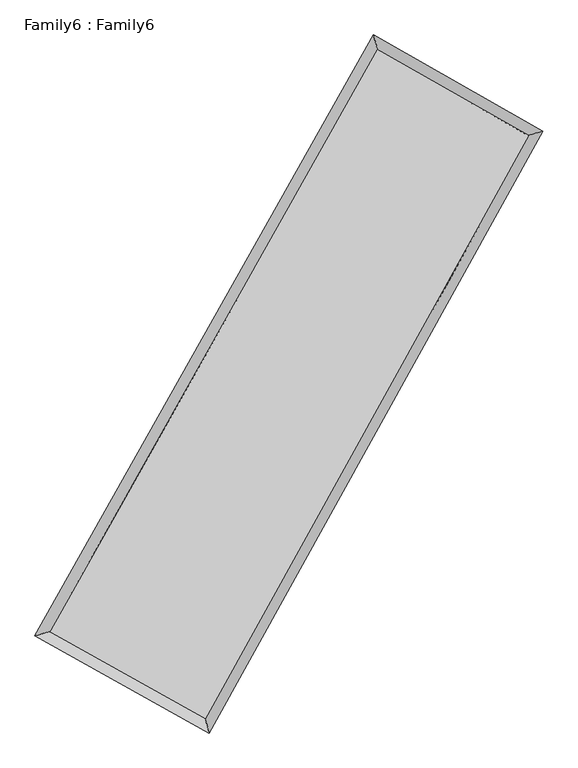
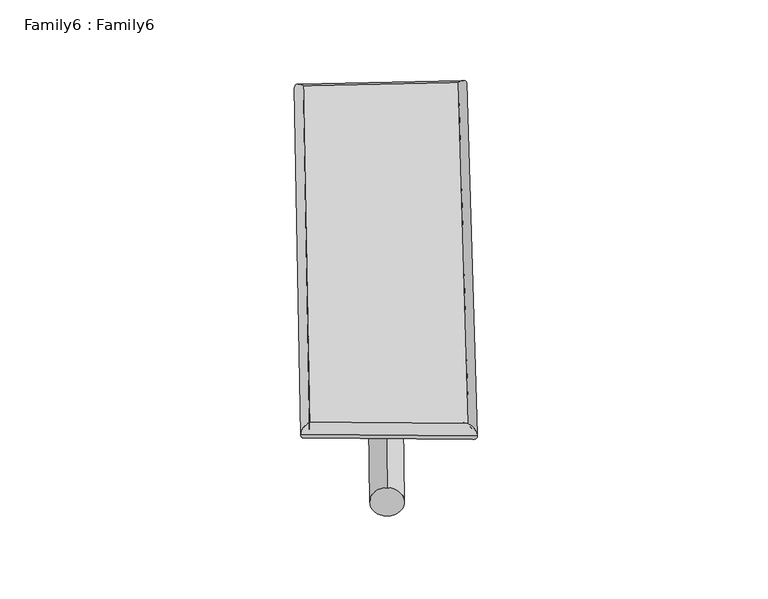
"""IFC4 building model written with IfcOpenShell, lengths in millimetres: plate geometry, Family6 : Family6."""

from ifc_helpers import new_model, si_unit, point, frame, origin, origin_2d, place, context, project, spatial, circle_curve, ellipse_curve, trimmed, segment, composite_curve, outline, extrude, source, transform, mapped, element, save
from ifc_brep_helpers import plane_surface, cylinder_surface, spline_surface, advanced_brep


def family6_family6_0088916f(model_context):
    return source(origin(), model_context, "Body", "SolidModel", [
        extrude(outline(composite_curve([segment(trimmed(circle_curve(origin_2d(), 76.2), [point((-75.4341514, -10.7763074))], [point((75.4341514, 10.7763074))], False, "CARTESIAN"), True, "CONTINUOUS"), segment(trimmed(circle_curve(origin_2d(), 76.2), [point((75.4341514, 10.7763074))], [point((-75.4341514, -10.7763074))], False, "CARTESIAN"), True, "CONTINUOUS")], self_intersect=False)), frame((9144.0, 9144.0, 0.0), z_axis=(0.6664976618462104, 0.6918233873537404, 0.2777791703204746), x_axis=(-0.6839926841293988, 0.7156781786794725, -0.14127544945776546)), (0.0, 0.0, 1.0), 5585.0565127),
        extrude(outline(composite_curve([segment(trimmed(circle_curve(origin_2d(), 76.2), [point((-53.8815368, 53.8815367))], [point((53.8815368, -53.8815367))], False, "CARTESIAN"), True, "CONTINUOUS"), segment(trimmed(circle_curve(origin_2d(), 76.2), [point((53.8815368, -53.8815367))], [point((-53.8815368, 53.8815367))], False, "CARTESIAN"), True, "CONTINUOUS")], self_intersect=False)), frame((9144.0, 9144.0, 0.0), z_axis=(-0.6710473338372117, -0.6878032429681293, 0.27680710740964437), x_axis=(0.6441998841828952, -0.35608152975582436, 0.6769139187411471)), (0.0, 0.0, 1.0), 5603.4188852),
        extrude(outline(composite_curve([segment(trimmed(circle_curve(origin_2d(), 76.2), [point((-53.8815367, -53.8815368))], [point((53.8815367, 53.8815368))], False, "CARTESIAN"), True, "CONTINUOUS"), segment(trimmed(circle_curve(origin_2d(), 76.2), [point((53.8815367, 53.8815368))], [point((-53.8815367, -53.8815368))], False, "CARTESIAN"), True, "CONTINUOUS")], self_intersect=False)), frame((9144.0, 9144.0, 0.0), z_axis=(0.24222247898957727, 0.9326174252215625, 0.26749394169821317), x_axis=(-0.844912320174615, 0.3382872150916496, -0.414348803935386)), (0.0, 0.0, 1.0), 5584.5611565),
        extrude(outline(composite_curve([segment(trimmed(circle_curve(origin_2d(), 76.2), [point((-75.4341514, 10.7763073))], [point((75.4341514, -10.7763073))], False, "CARTESIAN"), True, "CONTINUOUS"), segment(trimmed(circle_curve(origin_2d(), 76.2), [point((75.4341514, -10.7763073))], [point((-75.4341514, 10.7763073))], False, "CARTESIAN"), True, "CONTINUOUS")], self_intersect=False)), frame((9144.0, 9144.0, 0.0), z_axis=(-0.23603638940157282, -0.9341723081113232, 0.2675984335459234), x_axis=(0.8901327392934901, -0.09738670073749194, 0.4451736031677238)), (0.0, 0.0, 1.0), 5584.7494391),
        advanced_brep(
        [(5176.0344865, 5231.606618, 1546.9413929), (5175.9392317, 5231.4794136, 1556.2009154), (5591.6469069, 5348.2940201, 1555.1909535), (10554.3148818, 14144.3847554, 1499.6422649), (10439.097613, 14560.1333381, 1488.0302879), (5591.7421617, 5348.4212245, 1545.9314311), (12659.9115234, 12949.840962, 1550.8010404), (13072.9426905, 13065.9044683, 1552.0236882), (7766.6796929, 4134.3985315, 1495.5239944), (7884.9121204, 3719.364921, 1493.4164089)],
        [
            (0, 1, ellipse_curve(frame((5383.8406967, 5289.950319, 1551.0661732), z_axis=(-0.270485880514544, 0.9626673088258912, 0.010442267961893932), x_axis=(-0.9625098514688673, -0.27063855635697487, 0.018153722438985553)), 216.0317513, 152.4)),
            (1, 2, ellipse_curve(frame((5383.8406967, 5289.950319, 1551.0661732), z_axis=(-0.270485880514544, 0.9626673088258912, 0.010442267961893932), x_axis=(-0.9625098514688673, -0.27063855635697487, 0.018153722438985553)), 216.0317513, 152.4)),
            (2, 3),
            (3, 4, ellipse_curve(frame((10496.7062474, 14352.2590467, 1493.8362764), z_axis=(-0.963539636636681, -0.26733677170543063, -0.01106431760984478), x_axis=(0.26710534446381906, -0.963483828948176, 0.018805486279978443)), 215.7944807, 152.4)),
            (4, 0),
            (2, 5, ellipse_curve(frame((5383.8406967, 5289.950319, 1551.0661732), z_axis=(-0.270485880514544, 0.9626673088258912, 0.010442267961893932), x_axis=(-0.9625098514688673, -0.27063855635697487, 0.018153722438985553)), 216.0317513, 152.4)),
            (5, 0, ellipse_curve(frame((5383.8406967, 5289.950319, 1551.0661732), z_axis=(-0.270485880514544, 0.9626673088258912, 0.010442267961893932), x_axis=(-0.9625098514688673, -0.27063855635697487, 0.018153722438985553)), 216.0317513, 152.4)),
            (4, 3, ellipse_curve(frame((10496.7062474, 14352.2590467, 1493.8362764), z_axis=(-0.963539636636681, -0.26733677170543063, -0.01106431760984478), x_axis=(0.26710534446381906, -0.963483828948176, 0.018805486279978443)), 215.7944807, 152.4)),
            (3, 6),
            (6, 7, ellipse_curve(frame((12866.427107, 13007.8727151, 1551.4123643), z_axis=(-0.270479692287429, 0.9626626927394347, -0.011012541385091178), x_axis=(-0.9624927123567465, -0.2706481819736918, -0.018903445571868904)), 214.5422796, 152.4)),
            (7, 4),
            (7, 6, ellipse_curve(frame((12866.427107, 13007.8727151, 1551.4123643), z_axis=(-0.270479692287429, 0.9626626927394347, -0.011012541385091178), x_axis=(-0.9624927123567465, -0.2706481819736918, -0.018903445571868904)), 214.5422796, 152.4)),
            (6, 8),
            (8, 9, ellipse_curve(frame((7825.7959067, 3926.8817262, 1494.4702017), z_axis=(0.9616706185803154, 0.2740083187459627, -0.010443304906219121), x_axis=(-0.2737956518154033, 0.9616164084011313, 0.018161061111259258)), 215.794606, 152.4)),
            (9, 7),
            (9, 8, ellipse_curve(frame((7825.7959067, 3926.8817262, 1494.4702017), z_axis=(0.9616706185803154, 0.2740083187459627, -0.010443304906219121), x_axis=(-0.2737956518154033, 0.9616164084011313, 0.018161061111259258)), 215.794606, 152.4)),
            (8, 5),
            (1, 9),
        ],
        [
            cylinder_surface(frame((5383.8406967, 5289.950319, 1551.0661732), z_axis=(-0.49137163848934784, -0.8709326392174628, 0.005500075817548489), x_axis=(-0.8705713998172683, 0.49096205999962816, -0.03258363793568156)), 152.4),
            cylinder_surface(frame((10496.7062474, 14352.2590467, 1493.8362764), z_axis=(-0.8695847689600503, 0.4933314710191973, -0.021127926891464772), x_axis=(0.49368192857502313, 0.8694779681503856, -0.01691792834608029)), 152.4),
            cylinder_surface(frame((12866.427107, 13007.8727151, 1551.4123643), z_axis=(0.4853145432036676, 0.8743224446512121, 0.005482420463930385), x_axis=(0.874338480810961, -0.4853145432036676, -0.0014195521110552144)), 152.4),
            cylinder_surface(frame((7825.7959067, 3926.8817262, 1494.4702017), z_axis=(0.8730011715683459, -0.48729824099991187, -0.020233110455077696), x_axis=(-0.4871182905775815, -0.8732337265142734, 0.013365248324292346)), 152.4),
        ],
        [
            (0, [[1, 2, 3, 4, 5]]),
            (0, [[6, 7, -5, 8, -3]]),
            (1, [[-4, 9, 10, 11]]),
            (1, [[-8, -11, 12, -9]]),
            (2, [[-10, 13, 14, 15]]),
            (2, [[-12, -15, 16, -13]]),
            (3, [[-14, 17, -6, -2, 18]]),
            (3, [[-16, -18, -1, -7, -17]]),
        ],
    ),
        extrude(outline(composite_curve([segment(trimmed(circle_curve(origin_2d(), 304.8), [point((0.0, -304.8))], [point((0.0, 304.8))], False, "CARTESIAN"), True, "CONTINUOUS"), segment(trimmed(circle_curve(origin_2d(), 304.8), [point((0.0, 304.8))], [point((0.0, -304.8))], False, "CARTESIAN"), True, "CONTINUOUS")], self_intersect=False)), frame((6567.7576269, 4605.0953368, -0.0314097), z_axis=(0.4936210685345665, 0.8696770898802458, 6.018256592081579e-06), x_axis=(-0.869677089899618, 0.49362106853456655, 1.5889044508155072e-06)), (0.0, 0.0, 1.0), 10438.1378239),
        advanced_brep(
        [(5383.8406967, 5289.950319, 1551.0661732), (7825.7959067, 3926.8817262, 1494.4702017), (7825.8096565, 3926.8773313, 1646.870201), (5383.8544465, 5289.9459241, 1703.4661725), (12866.427107, 13007.8727151, 1551.4123643), (12866.4408568, 13007.8683202, 1703.8123636), (10496.7062474, 14352.2590467, 1493.8362764), (10496.7199972, 14352.2546518, 1646.2362757)],
        [
            (0, 1),
            (1, 2),
            (2, 3),
            (3, 0),
            (1, 4),
            (4, 5),
            (5, 2),
            (4, 6),
            (6, 7),
            (7, 5),
            (6, 0),
            (3, 7),
        ],
        [
            plane_surface(frame((6604.8183017, 4608.4160226, 1522.7681874), z_axis=(-0.4873976842357819, -0.8731801057333003, 1.8793077730398094e-05), x_axis=(0.8730011715683461, -0.4872982409999115, -0.020233110455077696))),
            plane_surface(frame((10346.1115068, 8467.3772207, 1522.941283), z_axis=(0.8743358280351807, -0.4853213895835823, -9.288000736144787e-05), x_axis=(0.4853145432036675, 0.8743224446512123, 0.005482420463930393))),
            plane_surface(frame((11681.5666772, 13680.0658809, 1522.6243203), z_axis=(0.49344197400389767, 0.8697787177859434, -1.9436494741995047e-05), x_axis=(-0.8695847689600503, 0.4933314710191971, -0.021127926891464765))),
            plane_surface(frame((7940.273472, 9821.1046829, 1522.4512248), z_axis=(-0.8709455583206416, 0.49137951304383803, 9.274883564091424e-05), x_axis=(-0.4913716384893478, -0.8709326392174627, 0.005500075817548494))),
            spline_surface(1, 1, [[(7825.8096565, 3926.8773313, 1646.870201), (5383.8544465, 5289.9459241, 1703.4661725)], [(12866.4408568, 13007.8683202, 1703.8123636), (10496.7199972, 14352.2546518, 1646.2362757)]], [2, 2], [2, 2], [0.0, 1.0], [0.0, 1.0]),
            spline_surface(1, 1, [[(10496.7062474, 14352.2590467, 1493.8362764), (5383.8406967, 5289.950319, 1551.0661732)], [(12866.427107, 13007.8727151, 1551.4123643), (7825.7959067, 3926.8817262, 1494.4702017)]], [2, 2], [2, 2], [0.0, 1.0], [0.0, 1.0]),
        ],
        [
            (0, [[1, 2, 3, 4]]),
            (1, [[5, 6, 7, -2]]),
            (2, [[8, 9, 10, -6]]),
            (3, [[11, -4, 12, -9]]),
            (4, [[-3, -7, -10, -12]]),
            (5, [[-11, -8, -5, -1]]),
        ],
    ),
    ])


if __name__ == "__main__":
    model = new_model("IFC4")
    model_context = context("Model", 3, world=origin())
    ifc_project = project(units=[si_unit("LENGTHUNIT", "METRE", prefix="MILLI")], contexts=[model_context])
    site = spatial("IfcSite", under=ifc_project)
    building = spatial("IfcBuilding", under=site)
    placement = place(None, origin())
    family6_family6_shape = family6_family6_0088916f(model_context)
    element("IfcPlate", 1, ObjectType="Family6 : Family6", at=placement, inside=building, context=model_context, shape_type="MappedRepresentation", body=[
        mapped(family6_family6_shape, transform((0.0, 0.0, 0.0), x_axis=(1.0, 0.0, 0.0), y_axis=(0.0, 1.0, 0.0), z_axis=(0.0, 0.0, 1.0))),
    ])
    save(model, "model.ifc")
